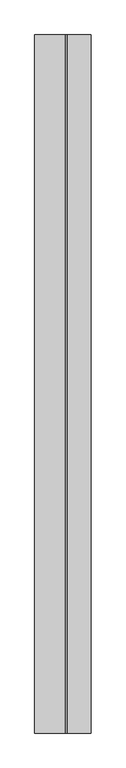
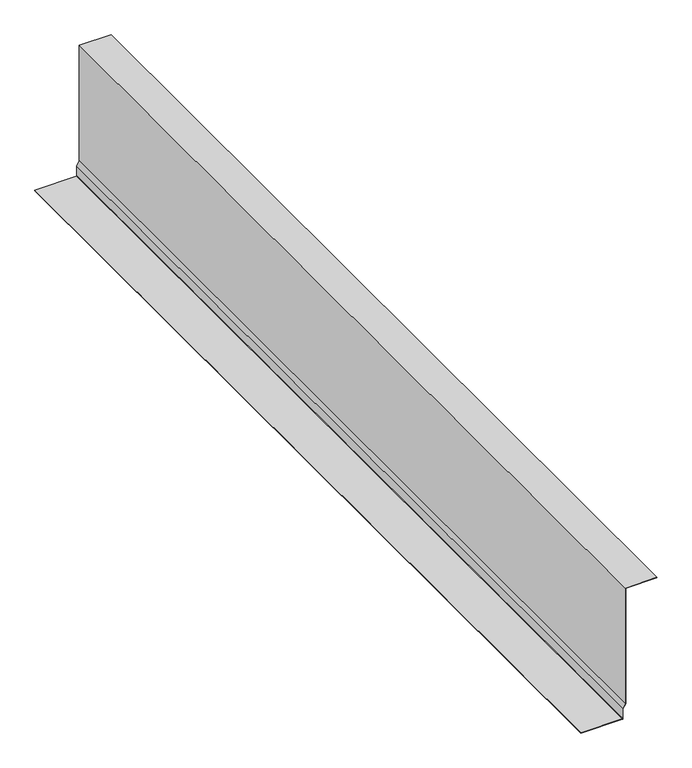
"""IFC4 building model written with IfcOpenShell, lengths in millimetres: proxy geometry."""

from ifc_helpers import new_model, si_unit, point, frame, frame_2d, origin, place, context, project, spatial, polyline, circle_curve, trimmed, segment, composite_curve, outline, extrude, source, transform, mapped, element, save


def generic_models_20c2a0b8(model_context):
    return source(origin(), model_context, "Body", "SweptSolid", [
        extrude(outline(composite_curve([segment(polyline([(5648.325, 37811.6460168), (5648.325, 37592.5710168), (4804.3877279, 37592.5710168), (4772.7669753, 37574.3147668), (4703.0156826, 37574.3147668)]), True, "CONTINUOUS"), segment(trimmed(circle_curve(frame_2d((4703.0156826, 37571.1397668)), 3.175), [point((4703.0156826, 37574.3147668))], [point((4699.8406826, 37571.1397668))], True, "CARTESIAN"), True, "CONTINUOUS"), segment(polyline([(4699.8406826, 37571.1397668), (4699.8406826, 37284.5960168), (4696.6656826, 37284.5960168), (4696.6656826, 37571.1397668)]), True, "CONTINUOUS"), segment(trimmed(circle_curve(frame_2d((4703.0156826, 37571.1397668)), 6.35), [point((4696.6656826, 37571.1397668))], [point((4703.0156826, 37577.4897668))], False, "CARTESIAN"), True, "CONTINUOUS"), segment(polyline([(4703.0156826, 37577.4897668), (4771.9162367, 37577.4897668), (4803.5369892, 37595.7460168), (5645.15, 37595.7460168), (5645.15, 37811.6460168), (5648.325, 37811.6460168)]), True, "CONTINUOUS")], self_intersect=False)), frame((0.0, -25196.3529893, 0.0), z_axis=(0.0, 1.0, 0.0), x_axis=(0.0, 0.0, 1.0)), (0.0, 0.0, 1.0), 6533.92),
    ])


if __name__ == "__main__":
    model = new_model("IFC4")
    model_context = context("Model", 3, world=origin())
    ifc_project = project(units=[si_unit("LENGTHUNIT", "METRE", prefix="MILLI")], contexts=[model_context])
    site = spatial("IfcSite", under=ifc_project)
    building = spatial("IfcBuilding", under=site)
    placement = place(None, origin())
    generic_models_shape = generic_models_20c2a0b8(model_context)
    element("IfcBuildingElementProxy", 1, Name="Generic Models", at=placement, inside=building, context=model_context, shape_type="MappedRepresentation", body=[
        mapped(generic_models_shape, transform((0.0, 0.0, 0.0), x_axis=(1.0, 0.0, 0.0), y_axis=(0.0, 1.0, 0.0), z_axis=(0.0, 0.0, 1.0))),
    ])
    save(model, "model.ifc")
